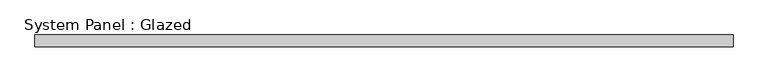
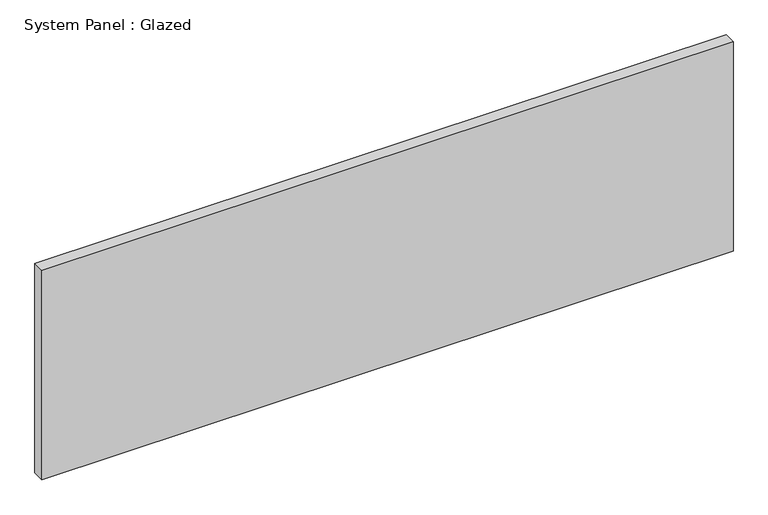
"""IFC4 building model written with IfcOpenShell, lengths in millimetres: plate geometry, System Panel : Glazed."""

from ifc_helpers import new_model, si_unit, origin, origin_with_axes, place, context, project, spatial, polyline, outline, extrude, source, transform, mapped, element, save


def system_panel_glazed_4fe03fb5(model_context):
    return source(origin(), model_context, "Body", "SweptSolid", [
        extrude(outline(polyline([(733.5358287, -12.7), (-733.5358287, -12.7), (-733.5358287, 12.7), (733.5358287, 12.7), (733.5358287, -12.7)])), origin_with_axes(), (0.0, 0.0, 1.0), 469.9),
    ])


if __name__ == "__main__":
    model = new_model("IFC4")
    model_context = context("Model", 3, world=origin())
    ifc_project = project(units=[si_unit("LENGTHUNIT", "METRE", prefix="MILLI")], contexts=[model_context])
    site = spatial("IfcSite", under=ifc_project)
    building = spatial("IfcBuilding", under=site)
    placement = place(None, origin())
    system_panel_glazed_shape = system_panel_glazed_4fe03fb5(model_context)
    element("IfcPlate", 1, ObjectType="System Panel : Glazed", at=placement, inside=building, context=model_context, shape_type="MappedRepresentation", body=[
        mapped(system_panel_glazed_shape, transform((0.0, 0.0, 0.0), x_axis=(1.0, 0.0, 0.0), y_axis=(0.0, 1.0, 0.0), z_axis=(0.0, 0.0, 1.0))),
    ])
    save(model, "model.ifc")
